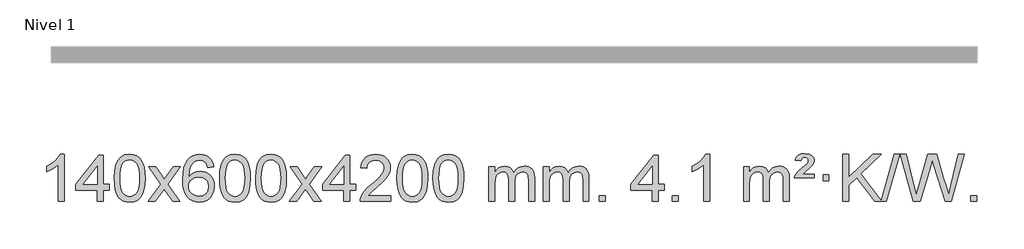
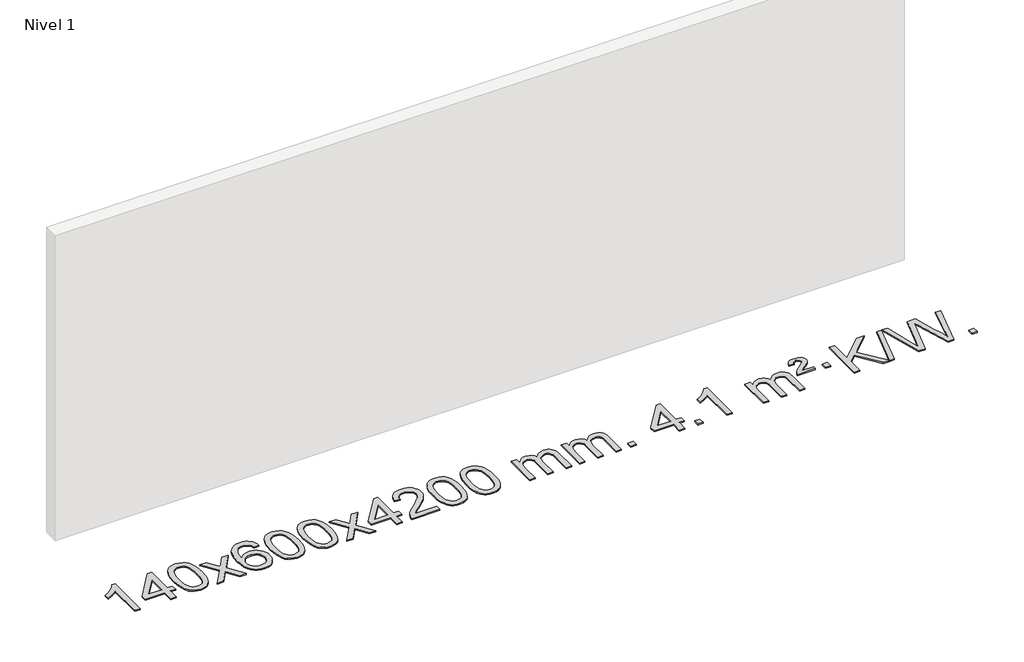
# One storey, part 2 of 16: 1 proxy.
"""IFC4 building model written with IfcOpenShell, lengths in millimetres."""

from ifc_helpers import new_model, si_unit, origin, origin_with_axes, place, context, project, spatial, polyline, outline, extrude, element, save

model = new_model("IFC4")

# Units and contexts
model_context = context("Model", 3, world=origin())
ifc_project = project(units=[si_unit("LENGTHUNIT", "METRE", prefix="MILLI")], contexts=[model_context])

# Site, building, storey
site = spatial("IfcSite", under=ifc_project)
building = spatial("IfcBuilding", under=site)
storey = spatial("IfcBuildingStorey", under=building, Name="Nivel 1", Elevation=0.0)

# Proxy
placement = place(None, origin())
element("IfcBuildingElementProxy", 1, Name="Texto de modelo 1", ObjectType="Texto de modelo 1", at=placement, inside=storey, context=model_context, shape_type="SweptSolid", body=[
    extrude(outline(polyline([(-12921.6378538, -15445.579453), (-12971.8660089, -15445.579453), (-12971.8660089, -15132.4382987), (-12992.8352826, -15149.3976587), (-13019.4454136, -15166.3324932), (-13072.3223191, -15191.6918254), (-13072.3223191, -15144.2105225), (-13032.8731065, -15122.7507395), (-12998.6968691, -15097.219729), (-12971.7556443, -15070.0700378), (-12954.0114694, -15043.7542124), (-12921.6378538, -15043.7542124), (-12921.6378538, -15445.579453)])), origin_with_axes(), (0.0, 0.0, 1.0), 10.0),
    extrude(outline(polyline([(-12639.1044816, -15445.579453), (-12639.1044816, -15351.4016622), (-12821.1815437, -15351.4016622), (-12821.1815437, -15301.1735072), (-12626.5474428, -15050.0327318), (-12588.8763265, -15050.0327318), (-12588.8763265, -15301.1735072), (-12538.6481714, -15301.1735072), (-12538.6481714, -15351.4016622), (-12588.8763265, -15351.4016622), (-12588.8763265, -15445.579453), (-12639.1044816, -15445.579453)]), holes=[polyline([(-12639.1044816, -15301.1735072), (-12639.1044816, -15145.9763561), (-12759.3773685, -15301.1735072), (-12639.1044816, -15301.1735072)])]), origin_with_axes(), (0.0, 0.0, 1.0), 10.0),
    extrude(outline(polyline([(-12494.6985357, -15247.9041943), (-12491.007453, -15183.5861588), (-12479.934205, -15132.2911459), (-12461.5891561, -15093.2343407), (-12449.7310932, -15078.0009605), (-12436.0826711, -15065.6309284), (-12420.5979048, -15056.0598651), (-12403.230809, -15049.2233914), (-12362.8496286, -15043.7542124), (-12331.8984901, -15046.991574), (-12304.1847131, -15056.7036586), (-12281.0081474, -15072.5103217), (-12263.6686427, -15094.0314184), (-12250.5720437, -15121.0830078), (-12240.1241951, -15153.4811488), (-12233.2815899, -15194.6226186), (-12231.0007216, -15247.9041943), (-12234.6550161, -15311.8543477), (-12245.6178995, -15363.0267333), (-12263.8525837, -15402.1203266), (-12275.6830556, -15417.3996922), (-12289.3222805, -15429.8341036), (-12304.825441, -15439.4695462), (-12322.2477191, -15446.3520052), (-12362.8496286, -15451.8579724), (-12390.5143547, -15449.4667394), (-12415.039821, -15442.2930405), (-12436.4260277, -15430.3368757), (-12454.6729746, -15413.5982449), (-12472.1841576, -15383.3399508), (-12484.6921454, -15345.6381776), (-12492.1969381, -15300.4929255), (-12494.6985357, -15247.9041943)]), holes=[polyline([(-12444.4703806, -15247.8060924), (-12442.9988527, -15291.4706195), (-12438.5842687, -15326.8148822), (-12431.2266288, -15353.8388804), (-12420.9259329, -15372.5426142), (-12408.466996, -15385.2682656), (-12394.634633, -15394.3580165), (-12379.4288439, -15399.8118671), (-12362.8496286, -15401.6298173), (-12346.2704134, -15399.8057357), (-12331.0646243, -15394.3334911), (-12317.2322612, -15385.2130833), (-12304.7733243, -15372.4445124), (-12294.4726285, -15353.7101217), (-12287.1149886, -15326.6922549), (-12282.7004046, -15291.3909118), (-12281.2288766, -15247.8060924), (-12282.6513537, -15205.2973278), (-12286.9187848, -15170.5753989), (-12294.0311701, -15143.6403055), (-12303.9885094, -15124.4920476), (-12316.2389799, -15111.1440625), (-12330.2307584, -15101.6097875), (-12345.9638451, -15095.8892225), (-12363.4382398, -15093.9823675), (-12379.931616, -15095.6623619), (-12394.8798877, -15100.7023452), (-12408.283055, -15109.1023175), (-12420.141118, -15120.8622786), (-12430.7851704, -15141.708925), (-12438.388065, -15169.8151094), (-12442.9498017, -15205.1808319), (-12444.4703806, -15247.8060924)])]), origin_with_axes(), (0.0, 0.0, 1.0), 10.0),
    extrude(outline(polyline([(-12205.886644, -15445.579453), (-12098.5632033, -15297.2494325), (-12199.6081246, -15150.4890419), (-12139.1773756, -15150.4890419), (-12090.4207485, -15221.122385), (-12067.6611157, -15254.4770192), (-12047.9426408, -15227.2047007), (-11992.416985, -15150.4890419), (-11931.9862359, -15150.4890419), (-12038.1324542, -15297.2494325), (-11935.9103105, -15445.579453), (-11996.3410596, -15445.579453), (-12057.8509292, -15356.4048574), (-12069.1326437, -15340.1199477), (-12145.455895, -15445.579453), (-12205.886644, -15445.579453)])), origin_with_axes(), (0.0, 0.0, 1.0), 10.0),
    extrude(outline(polyline([(-11647.0984188, -15150.4890419), (-11697.3265739, -15156.7675613), (-11705.4199778, -15131.874213), (-11716.3583358, -15114.8780648), (-11739.142494, -15099.2062918), (-11766.6845927, -15093.9823675), (-11790.0328367, -15097.0235253), (-11812.0076545, -15106.1469988), (-11830.8800009, -15125.3627017), (-11846.2942565, -15151.8134171), (-11856.7053169, -15189.227016), (-11860.5680779, -15241.3313693), (-11840.4204073, -15217.8237098), (-11816.2750857, -15201.2567573), (-11789.4810137, -15191.434308), (-11761.387092, -15188.1601582), (-11737.2540331, -15190.398107), (-11714.9849097, -15197.1119534), (-11694.5797217, -15208.3016975), (-11676.0384691, -15223.9673391), (-11660.6303449, -15243.1769106), (-11649.6245419, -15264.9984443), (-11643.02106, -15289.4319401), (-11640.8198994, -15316.4773982), (-11644.9647033, -15352.4439945), (-11657.3991147, -15385.786366), (-11677.0930642, -15414.0642287), (-11703.0164821, -15434.8372987), (-11733.9921461, -15447.602804), (-11768.8428338, -15451.8579724), (-11798.7853625, -15449.0375437), (-11825.8277548, -15440.5762579), (-11849.9700107, -15426.4741147), (-11871.2121303, -15406.7311143), (-11888.5301752, -15380.5133908), (-11900.9002073, -15346.9870783), (-11908.3222266, -15306.1521768), (-11910.796233, -15258.0086864), (-11908.0493807, -15204.0342663), (-11899.808824, -15157.9693092), (-11886.0745629, -15119.8138149), (-11866.8465973, -15089.5677835), (-11846.0060823, -15069.5243462), (-11821.8423665, -15055.2076052), (-11794.3554501, -15046.6175606), (-11763.545333, -15043.7542124), (-11740.4116869, -15045.5261773), (-11719.47307, -15050.8420722), (-11700.7294824, -15059.7018969), (-11684.1809239, -15072.1056515), (-11670.2749845, -15087.6364031), (-11659.4592539, -15105.8772186), (-11651.733732, -15126.8280983), (-11647.0984188, -15150.4890419)]), holes=[polyline([(-11860.5680779, -15315.6925832), (-11857.6618101, -15337.9494439), (-11848.9430068, -15359.2007605), (-11835.4049494, -15377.472233), (-11818.0409193, -15390.7895612), (-11797.0839083, -15398.9197533), (-11772.7669084, -15401.6298173), (-11739.6207406, -15396.0134855), (-11725.7056041, -15388.9930708), (-11713.5624326, -15379.1644901), (-11703.7123922, -15366.9262824), (-11696.676649, -15352.6769865), (-11691.0480545, -15318.1451299), (-11696.6030726, -15284.9989621), (-11703.5468453, -15271.3781312), (-11713.268127, -15259.725469), (-11725.4480867, -15250.3904634), (-11739.7678934, -15243.7226022), (-11774.8270476, -15238.3883133), (-11807.9241644, -15243.7226022), (-11835.6011532, -15259.725469), (-11846.5241827, -15271.2248471), (-11854.3263467, -15284.3858254), (-11859.0076451, -15299.2084042), (-11860.5680779, -15315.6925832)])]), origin_with_axes(), (0.0, 0.0, 1.0), 10.0),
    extrude(outline(polyline([(-11596.8702638, -15247.9041943), (-11593.1791811, -15183.5861588), (-11582.105933, -15132.2911459), (-11563.7608842, -15093.2343407), (-11551.9028212, -15078.0009605), (-11538.2543992, -15065.6309284), (-11522.7696329, -15056.0598651), (-11505.402537, -15049.2233914), (-11465.0213567, -15043.7542124), (-11434.0702182, -15046.991574), (-11406.3564412, -15056.7036586), (-11383.1798755, -15072.5103217), (-11365.8403708, -15094.0314184), (-11352.7437718, -15121.0830078), (-11342.2959231, -15153.4811488), (-11335.453318, -15194.6226186), (-11333.1724496, -15247.9041943), (-11336.8267441, -15311.8543477), (-11347.7896275, -15363.0267333), (-11366.0243118, -15402.1203266), (-11377.8547836, -15417.3996922), (-11391.4940086, -15429.8341036), (-11406.997169, -15439.4695462), (-11424.4194471, -15446.3520052), (-11465.0213567, -15451.8579724), (-11492.6860827, -15449.4667394), (-11517.2115491, -15442.2930405), (-11538.5977557, -15430.3368757), (-11556.8447027, -15413.5982449), (-11574.3558856, -15383.3399508), (-11586.8638735, -15345.6381776), (-11594.3686662, -15300.4929255), (-11596.8702638, -15247.9041943)]), holes=[polyline([(-11546.6421087, -15247.8060924), (-11545.1705807, -15291.4706195), (-11540.7559968, -15326.8148822), (-11533.3983568, -15353.8388804), (-11523.097661, -15372.5426142), (-11510.6387241, -15385.2682656), (-11496.8063611, -15394.3580165), (-11481.6005719, -15399.8118671), (-11465.0213567, -15401.6298173), (-11448.4421414, -15399.8057357), (-11433.2363523, -15394.3334911), (-11419.4039893, -15385.2130833), (-11406.9450524, -15372.4445124), (-11396.6443565, -15353.7101217), (-11389.2867166, -15326.6922549), (-11384.8721327, -15291.3909118), (-11383.4006047, -15247.8060924), (-11384.8230817, -15205.2973278), (-11389.0905129, -15170.5753989), (-11396.2028981, -15143.6403055), (-11406.1602375, -15124.4920476), (-11418.4107079, -15111.1440625), (-11432.4024864, -15101.6097875), (-11448.1355731, -15095.8892225), (-11465.6099679, -15093.9823675), (-11482.103344, -15095.6623619), (-11497.0516157, -15100.7023452), (-11510.4547831, -15109.1023175), (-11522.3128461, -15120.8622786), (-11532.9568985, -15141.708925), (-11540.559793, -15169.8151094), (-11545.1215298, -15205.1808319), (-11546.6421087, -15247.8060924)])]), origin_with_axes(), (0.0, 0.0, 1.0), 10.0),
    extrude(outline(polyline([(-11289.2228139, -15247.9041943), (-11285.5317312, -15183.5861588), (-11274.4584832, -15132.2911459), (-11256.1134344, -15093.2343407), (-11244.2553714, -15078.0009605), (-11230.6069494, -15065.6309284), (-11215.122183, -15056.0598651), (-11197.7550872, -15049.2233914), (-11157.3739068, -15043.7542124), (-11126.4227683, -15046.991574), (-11098.7089913, -15056.7036586), (-11075.5324257, -15072.5103217), (-11058.1929209, -15094.0314184), (-11045.0963219, -15121.0830078), (-11034.6484733, -15153.4811488), (-11027.8058681, -15194.6226186), (-11025.5249998, -15247.9041943), (-11029.1792943, -15311.8543477), (-11040.1421777, -15363.0267333), (-11058.3768619, -15402.1203266), (-11070.2073338, -15417.3996922), (-11083.8465587, -15429.8341036), (-11099.3497192, -15439.4695462), (-11116.7719973, -15446.3520052), (-11157.3739068, -15451.8579724), (-11185.0386329, -15449.4667394), (-11209.5640992, -15442.2930405), (-11230.9503059, -15430.3368757), (-11249.1972528, -15413.5982449), (-11266.7084358, -15383.3399508), (-11279.2164236, -15345.6381776), (-11286.7212164, -15300.4929255), (-11289.2228139, -15247.9041943)]), holes=[polyline([(-11238.9946588, -15247.8060924), (-11237.5231309, -15291.4706195), (-11233.1085469, -15326.8148822), (-11225.750907, -15353.8388804), (-11215.4502112, -15372.5426142), (-11202.9912742, -15385.2682656), (-11189.1589112, -15394.3580165), (-11173.9531221, -15399.8118671), (-11157.3739068, -15401.6298173), (-11140.7946916, -15399.8057357), (-11125.5889025, -15394.3334911), (-11111.7565394, -15385.2130833), (-11099.2976025, -15372.4445124), (-11088.9969067, -15353.7101217), (-11081.6392668, -15326.6922549), (-11077.2246828, -15291.3909118), (-11075.7531548, -15247.8060924), (-11077.1756319, -15205.2973278), (-11081.443063, -15170.5753989), (-11088.5554483, -15143.6403055), (-11098.5127876, -15124.4920476), (-11110.7632581, -15111.1440625), (-11124.7550366, -15101.6097875), (-11140.4881233, -15095.8892225), (-11157.962518, -15093.9823675), (-11174.4558942, -15095.6623619), (-11189.4041659, -15100.7023452), (-11202.8073333, -15109.1023175), (-11214.6653962, -15120.8622786), (-11225.3094486, -15141.708925), (-11232.9123432, -15169.8151094), (-11237.4740799, -15205.1808319), (-11238.9946588, -15247.8060924)])]), origin_with_axes(), (0.0, 0.0, 1.0), 10.0),
    extrude(outline(polyline([(-11000.4109222, -15445.579453), (-10893.0874815, -15297.2494325), (-10994.1324029, -15150.4890419), (-10933.7016538, -15150.4890419), (-10884.9450267, -15221.122385), (-10862.1853939, -15254.4770192), (-10842.466919, -15227.2047007), (-10786.9412632, -15150.4890419), (-10726.5105141, -15150.4890419), (-10832.6567324, -15297.2494325), (-10730.4345887, -15445.579453), (-10790.8653378, -15445.579453), (-10852.3752074, -15356.4048574), (-10863.6569219, -15340.1199477), (-10939.9801732, -15445.579453), (-11000.4109222, -15445.579453)])), origin_with_axes(), (0.0, 0.0, 1.0), 10.0),
    extrude(outline(polyline([(-10535.8004878, -15445.579453), (-10535.8004878, -15351.4016622), (-10717.8775499, -15351.4016622), (-10717.8775499, -15301.1735072), (-10523.243449, -15050.0327318), (-10485.5723327, -15050.0327318), (-10485.5723327, -15301.1735072), (-10435.3441776, -15301.1735072), (-10435.3441776, -15351.4016622), (-10485.5723327, -15351.4016622), (-10485.5723327, -15445.579453), (-10535.8004878, -15445.579453)]), holes=[polyline([(-10535.8004878, -15301.1735072), (-10535.8004878, -15145.9763561), (-10656.0733748, -15301.1735072), (-10535.8004878, -15301.1735072)])]), origin_with_axes(), (0.0, 0.0, 1.0), 10.0),
    extrude(outline(polyline([(-10133.9752472, -15395.3512979), (-10133.9752472, -15445.579453), (-10397.6730613, -15445.579453), (-10396.5694154, -15427.8965918), (-10392.2774587, -15410.9494945), (-10379.8920982, -15383.8856424), (-10361.7677786, -15357.6311307), (-10335.5500551, -15330.1503456), (-10298.8844829, -15299.4076736), (-10244.6832023, -15251.2641831), (-10212.1624339, -15215.7267824), (-10195.9020497, -15186.884834), (-10190.4819217, -15158.8277005), (-10195.5954814, -15133.6768347), (-10210.9361606, -15112.7688747), (-10234.5173965, -15098.6789943), (-10264.3526263, -15093.9823675), (-10295.6839095, -15098.5686297), (-10320.0254349, -15112.3274163), (-10335.7339961, -15134.1796068), (-10341.1663869, -15163.0460807), (-10391.394542, -15156.7675613), (-10387.0749942, -15130.838012), (-10379.2176479, -15108.1826125), (-10367.8225031, -15088.8013627), (-10352.8895598, -15072.6942627), (-10334.7621745, -15060.0329907), (-10313.7837037, -15050.989225), (-10289.9541475, -15045.5629655), (-10263.2735058, -15043.7542124), (-10236.3537408, -15045.7653006), (-10212.3954258, -15051.7985654), (-10191.398561, -15061.8540066), (-10173.3631461, -15075.9316242), (-10158.8777926, -15092.9890861), (-10148.5311115, -15111.9840598), (-10142.3231028, -15132.9165453), (-10140.2537666, -15155.7865427), (-10142.485584, -15179.8092369), (-10149.1810363, -15203.4149983), (-10161.0636248, -15227.4254299), (-10178.8568506, -15252.6621347), (-10207.2205524, -15282.7916701), (-10250.8145689, -15321.4805933), (-10308.5965676, -15369.795762), (-10331.2580985, -15395.3512979), (-10133.9752472, -15395.3512979)])), origin_with_axes(), (0.0, 0.0, 1.0), 10.0),
    extrude(outline(polyline([(-10083.7470921, -15247.9041943), (-10080.0560094, -15183.5861588), (-10068.9827614, -15132.2911459), (-10050.6377126, -15093.2343407), (-10038.7796496, -15078.0009605), (-10025.1312276, -15065.6309284), (-10009.6464612, -15056.0598651), (-9992.2793654, -15049.2233914), (-9951.8981851, -15043.7542124), (-9920.9470465, -15046.991574), (-9893.2332696, -15056.7036586), (-9870.0567039, -15072.5103217), (-9852.7171992, -15094.0314184), (-9839.6206001, -15121.0830078), (-9829.1727515, -15153.4811488), (-9822.3301463, -15194.6226186), (-9820.049278, -15247.9041943), (-9823.7035725, -15311.8543477), (-9834.6664559, -15363.0267333), (-9852.9011401, -15402.1203266), (-9864.731612, -15417.3996922), (-9878.3708369, -15429.8341036), (-9893.8739974, -15439.4695462), (-9911.2962755, -15446.3520052), (-9951.8981851, -15451.8579724), (-9979.5629111, -15449.4667394), (-10004.0883774, -15442.2930405), (-10025.4745841, -15430.3368757), (-10043.721531, -15413.5982449), (-10061.232714, -15383.3399508), (-10073.7407019, -15345.6381776), (-10081.2454946, -15300.4929255), (-10083.7470921, -15247.9041943)]), holes=[polyline([(-10033.518937, -15247.8060924), (-10032.0474091, -15291.4706195), (-10027.6328251, -15326.8148822), (-10020.2751852, -15353.8388804), (-10009.9744894, -15372.5426142), (-9997.5155525, -15385.2682656), (-9983.6831894, -15394.3580165), (-9968.4774003, -15399.8118671), (-9951.8981851, -15401.6298173), (-9935.3189698, -15399.8057357), (-9920.1131807, -15394.3334911), (-9906.2808176, -15385.2130833), (-9893.8218807, -15372.4445124), (-9883.5211849, -15353.7101217), (-9876.163545, -15326.6922549), (-9871.748961, -15291.3909118), (-9870.2774331, -15247.8060924), (-9871.6999101, -15205.2973278), (-9875.9673412, -15170.5753989), (-9883.0797265, -15143.6403055), (-9893.0370658, -15124.4920476), (-9905.2875363, -15111.1440625), (-9919.2793148, -15101.6097875), (-9935.0124015, -15095.8892225), (-9952.4867962, -15093.9823675), (-9968.9801724, -15095.6623619), (-9983.9284441, -15100.7023452), (-9997.3316115, -15109.1023175), (-10009.1896744, -15120.8622786), (-10019.8337268, -15141.708925), (-10027.4366214, -15169.8151094), (-10031.9983581, -15205.1808319), (-10033.518937, -15247.8060924)])]), origin_with_axes(), (0.0, 0.0, 1.0), 10.0),
    extrude(outline(polyline([(-9776.0996423, -15247.9041943), (-9772.4085596, -15183.5861588), (-9761.3353115, -15132.2911459), (-9742.9902627, -15093.2343407), (-9731.1321997, -15078.0009605), (-9717.4837777, -15065.6309284), (-9701.9990114, -15056.0598651), (-9684.6319156, -15049.2233914), (-9644.2507352, -15043.7542124), (-9613.2995967, -15046.991574), (-9585.5858197, -15056.7036586), (-9562.409254, -15072.5103217), (-9545.0697493, -15094.0314184), (-9531.9731503, -15121.0830078), (-9521.5253016, -15153.4811488), (-9514.6826965, -15194.6226186), (-9512.4018281, -15247.9041943), (-9516.0561226, -15311.8543477), (-9527.0190061, -15363.0267333), (-9545.2536903, -15402.1203266), (-9557.0841621, -15417.3996922), (-9570.7233871, -15429.8341036), (-9586.2265475, -15439.4695462), (-9603.6488257, -15446.3520052), (-9644.2507352, -15451.8579724), (-9671.9154613, -15449.4667394), (-9696.4409276, -15442.2930405), (-9717.8271343, -15430.3368757), (-9736.0740812, -15413.5982449), (-9753.5852642, -15383.3399508), (-9766.093252, -15345.6381776), (-9773.5980447, -15300.4929255), (-9776.0996423, -15247.9041943)]), holes=[polyline([(-9725.8714872, -15247.8060924), (-9724.3999592, -15291.4706195), (-9719.9853753, -15326.8148822), (-9712.6277354, -15353.8388804), (-9702.3270395, -15372.5426142), (-9689.8681026, -15385.2682656), (-9676.0357396, -15394.3580165), (-9660.8299505, -15399.8118671), (-9644.2507352, -15401.6298173), (-9627.67152, -15399.8057357), (-9612.4657308, -15394.3334911), (-9598.6333678, -15385.2130833), (-9586.1744309, -15372.4445124), (-9575.873735, -15353.7101217), (-9568.5160951, -15326.6922549), (-9564.1015112, -15291.3909118), (-9562.6299832, -15247.8060924), (-9564.0524603, -15205.2973278), (-9568.3198914, -15170.5753989), (-9575.4322767, -15143.6403055), (-9585.389616, -15124.4920476), (-9597.6400864, -15111.1440625), (-9611.631865, -15101.6097875), (-9627.3649516, -15095.8892225), (-9644.8393464, -15093.9823675), (-9661.3327225, -15095.6623619), (-9676.2809943, -15100.7023452), (-9689.6841616, -15109.1023175), (-9701.5422246, -15120.8622786), (-9712.186277, -15141.708925), (-9719.7891716, -15169.8151094), (-9724.3509083, -15205.1808319), (-9725.8714872, -15247.8060924)])]), origin_with_axes(), (0.0, 0.0, 1.0), 10.0),
    extrude(outline(polyline([(-9298.9321691, -15445.579453), (-9298.9321691, -15150.4890419), (-9248.704014, -15150.4890419), (-9248.704014, -15199.0494653), (-9233.5963267, -15176.7435537), (-9214.1721574, -15159.2691589), (-9191.0936936, -15147.9751816), (-9165.0231228, -15144.2105225), (-9137.0886167, -15148.048758), (-9114.6968659, -15159.5634645), (-9097.9704978, -15177.9943524), (-9087.0321399, -15202.5811324), (-9068.7238792, -15177.0439906), (-9047.8404446, -15158.803175), (-9024.3818361, -15147.8586857), (-8998.3480536, -15144.2105225), (-8978.2402368, -15145.7280358), (-8960.5910981, -15150.2805755), (-8945.4006374, -15157.8681416), (-8932.6688547, -15168.4907342), (-8922.6042164, -15182.2709806), (-8915.4151891, -15199.3315082), (-8911.1017727, -15219.6723168), (-8909.6639672, -15243.2934066), (-8909.6639672, -15445.579453), (-8959.8921223, -15445.579453), (-8959.8921223, -15264.875817), (-8961.057082, -15239.8230531), (-8964.5519609, -15222.9372695), (-8971.1002604, -15211.3735121), (-8981.4254818, -15202.2868268), (-8994.7060218, -15196.4007149), (-9010.1202774, -15194.4386776), (-9037.3312823, -15199.4663982), (-9059.5145666, -15214.54956), (-9068.1199396, -15226.1194488), (-9074.2666346, -15240.7182326), (-9079.1839906, -15279.0024856), (-9079.1839906, -15445.579453), (-9129.4121457, -15445.579453), (-9129.4121457, -15259.2840106), (-9132.3184135, -15230.8835206), (-9141.0372167, -15210.6254854), (-9156.3778959, -15198.4853796), (-9179.1497914, -15194.4386776), (-9198.5003844, -15197.1364789), (-9216.3303984, -15205.2298828), (-9231.0456782, -15218.5226856), (-9241.0520685, -15236.8186835), (-9246.7910276, -15262.2025411), (-9248.704014, -15296.7589232), (-9248.704014, -15445.579453), (-9298.9321691, -15445.579453)])), origin_with_axes(), (0.0, 0.0, 1.0), 10.0),
    extrude(outline(polyline([(-8834.3217346, -15445.579453), (-8834.3217346, -15150.4890419), (-8784.0935796, -15150.4890419), (-8784.0935796, -15199.0494653), (-8768.9858923, -15176.7435537), (-8749.5617229, -15159.2691589), (-8726.4832591, -15147.9751816), (-8700.4126884, -15144.2105225), (-8672.4781822, -15148.048758), (-8650.0864315, -15159.5634645), (-8633.3600634, -15177.9943524), (-8622.4217054, -15202.5811324), (-8604.1134448, -15177.0439906), (-8583.2300102, -15158.803175), (-8559.7714016, -15147.8586857), (-8533.7376191, -15144.2105225), (-8513.6298024, -15145.7280358), (-8495.9806637, -15150.2805755), (-8480.790203, -15157.8681416), (-8468.0584202, -15168.4907342), (-8457.993782, -15182.2709806), (-8450.8047547, -15199.3315082), (-8446.4913383, -15219.6723168), (-8445.0535328, -15243.2934066), (-8445.0535328, -15445.579453), (-8495.2816879, -15445.579453), (-8495.2816879, -15264.875817), (-8496.4466475, -15239.8230531), (-8499.9415265, -15222.9372695), (-8506.489826, -15211.3735121), (-8516.8150473, -15202.2868268), (-8530.0955874, -15196.4007149), (-8545.509843, -15194.4386776), (-8572.7208479, -15199.4663982), (-8594.9041322, -15214.54956), (-8603.5095052, -15226.1194488), (-8609.6562002, -15240.7182326), (-8614.5735562, -15279.0024856), (-8614.5735562, -15445.579453), (-8664.8017113, -15445.579453), (-8664.8017113, -15259.2840106), (-8667.707979, -15230.8835206), (-8676.4267823, -15210.6254854), (-8691.7674615, -15198.4853796), (-8714.539357, -15194.4386776), (-8733.88995, -15197.1364789), (-8751.719964, -15205.2298828), (-8766.4352438, -15218.5226856), (-8776.4416341, -15236.8186835), (-8782.1805932, -15262.2025411), (-8784.0935796, -15296.7589232), (-8784.0935796, -15445.579453), (-8834.3217346, -15445.579453)])), origin_with_axes(), (0.0, 0.0, 1.0), 10.0),
    extrude(outline(polyline([(-8357.1542614, -15445.579453), (-8357.1542614, -15395.3512979), (-8306.9261064, -15395.3512979), (-8306.9261064, -15445.579453), (-8357.1542614, -15445.579453)])), origin_with_axes(), (0.0, 0.0, 1.0), 10.0),
    extrude(outline(polyline([(-7905.1008658, -15445.579453), (-7905.1008658, -15351.4016622), (-8087.1779279, -15351.4016622), (-8087.1779279, -15301.1735072), (-7892.543827, -15050.0327318), (-7854.8727107, -15050.0327318), (-7854.8727107, -15301.1735072), (-7804.6445556, -15301.1735072), (-7804.6445556, -15351.4016622), (-7854.8727107, -15351.4016622), (-7854.8727107, -15445.579453), (-7905.1008658, -15445.579453)]), holes=[polyline([(-7905.1008658, -15301.1735072), (-7905.1008658, -15145.9763561), (-8025.3737527, -15301.1735072), (-7905.1008658, -15301.1735072)])]), origin_with_axes(), (0.0, 0.0, 1.0), 10.0),
    extrude(outline(polyline([(-7735.5808424, -15445.579453), (-7735.5808424, -15395.3512979), (-7685.3526873, -15395.3512979), (-7685.3526873, -15445.579453), (-7735.5808424, -15445.579453)])), origin_with_axes(), (0.0, 0.0, 1.0), 10.0),
    extrude(outline(polyline([(-7415.3763538, -15445.579453), (-7465.6045088, -15445.579453), (-7465.6045088, -15132.4382987), (-7486.5737826, -15149.3976587), (-7513.1839136, -15166.3324932), (-7566.060819, -15191.6918254), (-7566.060819, -15144.2105225), (-7526.6116064, -15122.7507395), (-7492.435369, -15097.219729), (-7465.4941442, -15070.0700378), (-7447.7499693, -15043.7542124), (-7415.3763538, -15043.7542124), (-7415.3763538, -15445.579453)])), origin_with_axes(), (0.0, 0.0, 1.0), 10.0),
    extrude(outline(polyline([(-7126.5644621, -15445.579453), (-7126.5644621, -15150.4890419), (-7076.336307, -15150.4890419), (-7076.336307, -15199.0494653), (-7061.2286197, -15176.7435537), (-7041.8044504, -15159.2691589), (-7018.7259866, -15147.9751816), (-6992.6554158, -15144.2105225), (-6964.7209097, -15148.048758), (-6942.3291589, -15159.5634645), (-6925.6027909, -15177.9943524), (-6914.6644329, -15202.5811324), (-6896.3561722, -15177.0439906), (-6875.4727377, -15158.803175), (-6852.0141291, -15147.8586857), (-6825.9803466, -15144.2105225), (-6805.8725298, -15145.7280358), (-6788.2233911, -15150.2805755), (-6773.0329304, -15157.8681416), (-6760.3011477, -15168.4907342), (-6750.2365094, -15182.2709806), (-6743.0474821, -15199.3315082), (-6738.7340657, -15219.6723168), (-6737.2962603, -15243.2934066), (-6737.2962603, -15445.579453), (-6787.5244153, -15445.579453), (-6787.5244153, -15264.875817), (-6788.689375, -15239.8230531), (-6792.1842539, -15222.9372695), (-6798.7325535, -15211.3735121), (-6809.0577748, -15202.2868268), (-6822.3383148, -15196.4007149), (-6837.7525704, -15194.4386776), (-6864.9635753, -15199.4663982), (-6887.1468596, -15214.54956), (-6895.7522326, -15226.1194488), (-6901.8989276, -15240.7182326), (-6906.8162836, -15279.0024856), (-6906.8162836, -15445.579453), (-6957.0444387, -15445.579453), (-6957.0444387, -15259.2840106), (-6959.9507065, -15230.8835206), (-6968.6695098, -15210.6254854), (-6984.010189, -15198.4853796), (-7006.7820845, -15194.4386776), (-7026.1326774, -15197.1364789), (-7043.9626914, -15205.2298828), (-7058.6779713, -15218.5226856), (-7068.6843615, -15236.8186835), (-7074.4233206, -15262.2025411), (-7076.336307, -15296.7589232), (-7076.336307, -15445.579453), (-7126.5644621, -15445.579453)])), origin_with_axes(), (0.0, 0.0, 1.0), 10.0),
    extrude(outline(polyline([(-6693.3466246, -15244.6668327), (-6689.5206518, -15228.8479069), (-6681.1819933, -15212.9799302), (-6659.6731593, -15187.8413272), (-6627.7164766, -15160.1030247), (-6583.5706372, -15122.726214), (-6576.4337265, -15111.1992448), (-6574.0547563, -15099.3779701), (-6575.9432172, -15087.2869152), (-6581.6085999, -15077.5012541), (-6590.977328, -15071.026531), (-6603.9758252, -15068.8682899), (-6616.4102366, -15070.4869707), (-6625.26393, -15075.343013), (-6631.6896022, -15084.8098431), (-6636.8399501, -15100.2608869), (-6687.0681052, -15093.9823675), (-6676.2278491, -15068.7701881), (-6659.5995829, -15051.2099542), (-6635.834406, -15040.9092583), (-6603.5834178, -15037.475693), (-6567.8007624, -15041.6082341), (-6543.0545668, -15054.0058573), (-6528.6335926, -15072.3386434), (-6523.8266012, -15094.2766731), (-6527.9223541, -15117.1834586), (-6540.2096127, -15138.8149199), (-6560.737428, -15158.6314968), (-6597.2067965, -15186.6886303), (-6622.8113834, -15213.2742358), (-6523.8266012, -15213.2742358), (-6523.8266012, -15244.6668327), (-6693.3466246, -15244.6668327)])), origin_with_axes(), (0.0, 0.0, 1.0), 10.0),
    extrude(outline(polyline([(-6448.4843686, -15269.7809102), (-6448.4843686, -15219.5527552), (-6398.2562135, -15219.5527552), (-6398.2562135, -15269.7809102), (-6448.4843686, -15269.7809102)])), origin_with_axes(), (0.0, 0.0, 1.0), 10.0),
    extrude(outline(polyline([(-6007.6145856, -15445.579453), (-6161.045903, -15242.9009991), (-6228.7361901, -15307.4520265), (-6228.7361901, -15445.579453), (-6278.9643452, -15445.579453), (-6278.9643452, -15043.7542124), (-6228.7361901, -15043.7542124), (-6228.7361901, -15240.4484525), (-6022.7222728, -15043.7542124), (-5952.4813372, -15043.7542124), (-6125.4349259, -15208.9577537), (-5950.781316, -15439.5349332), (-5839.4679883, -15043.7542124), (-5794.1449265, -15043.7542124), (-5907.1582754, -15445.579453), (-5946.2028178, -15445.579453), (-5952.4813372, -15445.579453), (-6007.6145856, -15445.579453)])), origin_with_axes(), (0.0, 0.0, 1.0), 10.0),
    extrude(outline(polyline([(-5679.6600496, -15445.579453), (-5789.2398332, -15043.7542124), (-5737.4420483, -15043.7542124), (-5673.8720395, -15307.844434), (-5654.2516665, -15389.3670841), (-5633.2578673, -15317.2622131), (-5553.5991526, -15043.7542124), (-5478.943633, -15043.7542124), (-5421.0635325, -15242.0180823), (-5396.268286, -15315.5944814), (-5377.9968136, -15389.3670841), (-5358.9650517, -15310.1988788), (-5294.8064317, -15043.7542124), (-5243.0086468, -15043.7542124), (-5352.6865323, -15445.579453), (-5406.3482526, -15445.579453), (-5502.6842845, -15135.5775584), (-5516.12424, -15092.3146358), (-5531.2319273, -15144.4067263), (-5619.0330968, -15445.579453), (-5679.6600496, -15445.579453)])), origin_with_axes(), (0.0, 0.0, 1.0), 10.0),
    extrude(outline(polyline([(-5186.5019723, -15445.579453), (-5186.5019723, -15395.3512979), (-5136.2738173, -15395.3512979), (-5136.2738173, -15445.579453), (-5186.5019723, -15445.579453)])), origin_with_axes(), (0.0, 0.0, 1.0), 10.0),
])

save(model, "model.ifc")
